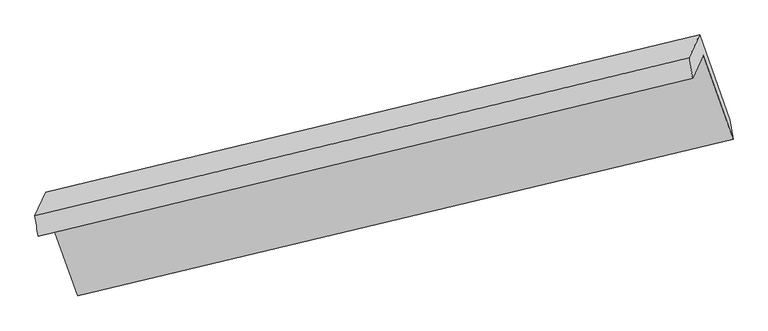
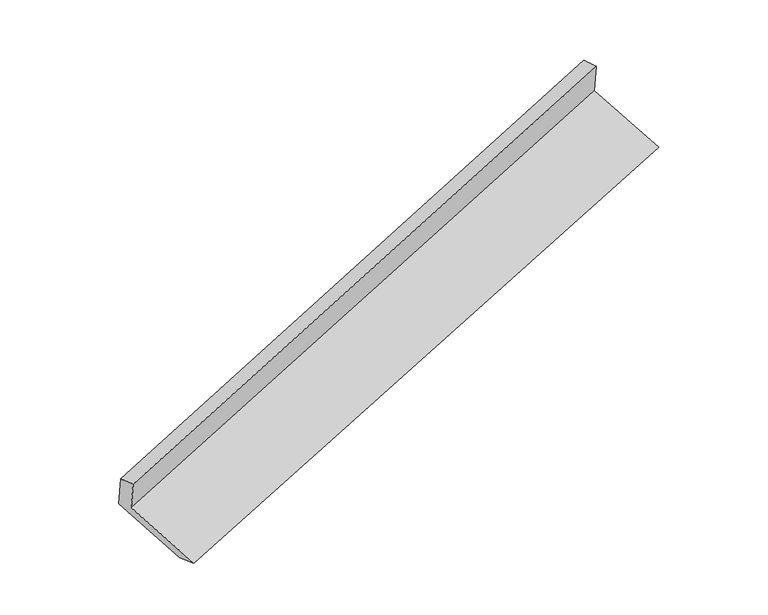
"""IFC4 building model written with IfcOpenShell, lengths in millimetres: proxy geometry."""

from ifc_helpers import new_model, si_unit, frame, origin, place, context, project, spatial, source, transform, mapped, element, save
from ifc_brep_helpers import plane_surface, spline_surface, advanced_brep


def generic_models_c53e0ed0(model_context):
    return source(origin(), model_context, "Body", "AdvancedBrep", [
        advanced_brep(
        [(-5174.8906794, -1888.1847817, 1174.0457163), (-4971.9448499, -2456.8480528, 951.2935951), (-404.6184639, -1365.1465913, 2412.1840311), (-612.9814005, -781.3043445, 2640.8819364), (-5246.3406642, -2043.0213502, 1504.2306441), (-686.3540469, -940.3074404, 2979.9518751), (-5268.7096496, -1899.4211722, 1471.4011673), (-711.459569, -798.5932759, 2956.9007137), (-5193.4495823, -1736.3279178, 1123.6090728), (-638.1221634, -639.666549, 2617.9936302), (-4995.6126813, -2290.6757433, 906.4644808), (-427.7474119, -1229.1459912, 2387.0875689)],
        [
            (0, 1),
            (1, 2),
            (2, 3),
            (3, 0),
            (4, 0),
            (3, 5),
            (5, 4),
            (6, 4),
            (5, 7),
            (7, 6),
            (8, 6),
            (7, 9),
            (9, 8),
            (10, 8),
            (9, 11),
            (11, 10),
            (1, 10),
            (11, 2),
        ],
        [
            plane_surface(frame((-5073.4177646, -2172.5164173, 1062.6696557), z_axis=(-0.18564760171957398, -0.41512178450270626, 0.8906227439309301), x_axis=(0.31534341707631125, -0.8836063273102234, -0.3461190368124442))),
            plane_surface(frame((-5210.6156718, -1965.6030659, 1339.1381802), z_axis=(0.3242436872117773, -0.8815162500593375, -0.3432129545699508), x_axis=(0.19226616542182814, 0.4166527585045566, -0.8885010976158274))),
            spline_surface(1, 1, [[(-5268.7096496, -1899.4211722, 1471.4011673), (-711.459569, -798.5932759, 2956.9007137)], [(-5246.3406642, -2043.0213502, 1504.2306441), (-686.3540469, -940.3074404, 2979.9518751)]], [2, 2], [2, 2], [0.0, 1.0], [0.0, 1.0]),
            plane_surface(frame((-5231.079616, -1817.874545, 1297.50512), z_axis=(-0.32472969457640477, 0.8813995771006111, 0.34305307307642485), x_axis=(-0.19226616542178832, -0.4166527585045217, 0.8885010976158524))),
            plane_surface(frame((-5094.5311318, -2013.5018306, 1015.0367768), z_axis=(0.19132122910676677, 0.41643533460149346, -0.8888069528240754), x_axis=(-0.31534341707630714, 0.8836063273102283, 0.34611903681243544))),
            spline_surface(1, 1, [[(-4971.9448499, -2456.8480528, 951.2935951), (-404.6184639, -1365.1465913, 2412.1840311)], [(-4995.6126813, -2290.6757433, 906.4644808), (-427.7474119, -1229.1459912, 2387.0875689)]], [2, 2], [2, 2], [0.0, 1.0], [0.0, 1.0]),
            plane_surface(frame((-580.2138426, -959.0273654, 2665.8332926), z_axis=(0.9292966431342793, 0.2136359922108223, 0.3012763048954523), x_axis=(-0.19226616542178832, -0.4166527585045217, 0.8885010976158524))),
            plane_surface(frame((-5141.8246844, -2052.4131697, 1188.507446), z_axis=(-0.929296643134269, -0.21363599221080742, -0.30127630489549473), x_axis=(-0.3153434170763115, 0.8836063273102267, 0.34611903681243544))),
        ],
        [
            (0, [[1, 2, 3, 4]]),
            (1, [[5, -4, 6, 7]]),
            (2, [[8, -7, 9, 10]]),
            (3, [[11, -10, 12, 13]]),
            (4, [[14, -13, 15, 16]]),
            (5, [[17, -16, 18, -2]]),
            (6, [[-12, -9, -6, -3, -18, -15]]),
            (7, [[-1, -5, -8, -11, -14, -17]]),
        ],
    ),
    ])


if __name__ == "__main__":
    model = new_model("IFC4")
    model_context = context("Model", 3, world=origin())
    ifc_project = project(units=[si_unit("LENGTHUNIT", "METRE", prefix="MILLI")], contexts=[model_context])
    site = spatial("IfcSite", under=ifc_project)
    building = spatial("IfcBuilding", under=site)
    placement = place(None, origin())
    generic_models_shape = generic_models_c53e0ed0(model_context)
    element("IfcBuildingElementProxy", 1, Name="Generic Models", at=placement, inside=building, context=model_context, shape_type="MappedRepresentation", body=[
        mapped(generic_models_shape, transform((0.0, 0.0, 0.0), x_axis=(1.0, 0.0, 0.0), y_axis=(0.0, 1.0, 0.0), z_axis=(0.0, 0.0, 1.0))),
    ])
    save(model, "model.ifc")
